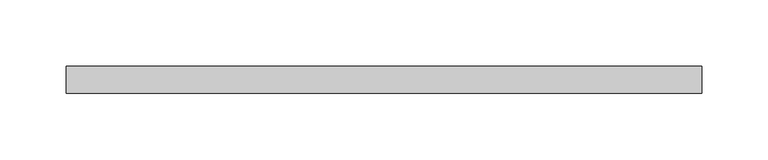
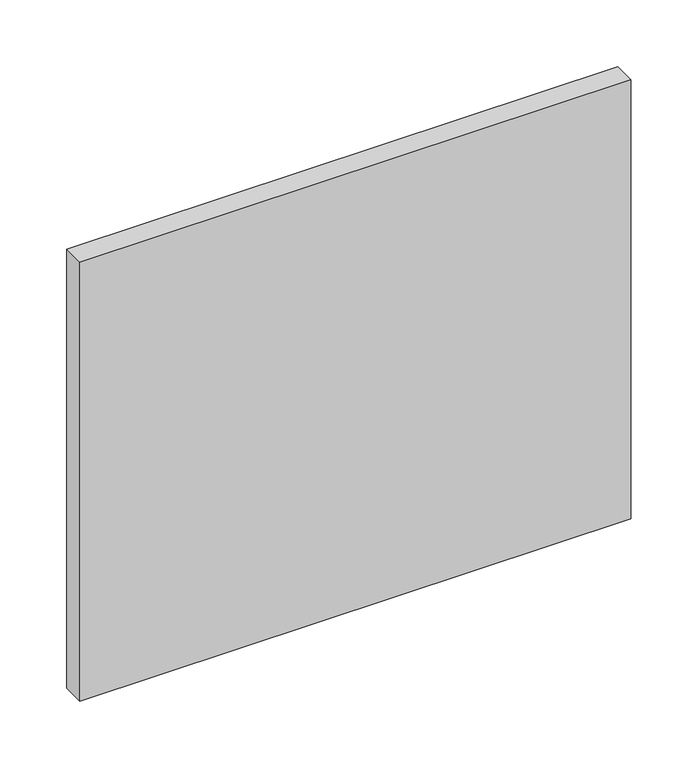
"""IFC4 building model written with IfcOpenShell, lengths in millimetres: plate geometry."""

import ifcopenshell
import ifcopenshell.guid

model = None  # the IFC model being written
_history = None  # IfcOwnerHistory: only IFC2X3 demands one
_inside = {}  # id of a spatial element -> (the spatial element, [elements in it])
_under = {}  # id of a project, library or spatial element -> (it, [spatial elements below it])
_declared = {}  # id of a project -> (the project, [libraries it declares])
_typed = {}  # id of a type object -> (the type object, [elements of that type])
_made_of = {}  # id of a material, layer set ... -> (it, [elements and type objects made of it])


def new_model(schema):
    """Start an empty IFC model of exactly this schema.

    Asked for "IFC4X3", IfcOpenShell would pick the latest addendum, in which some entities
    have other attributes; the version numbers below select the first issue.
    IFC2X3 requires an IfcOwnerHistory on every rooted entity: one is made here for all.
    """
    global model, _history
    if schema == "IFC4X3":
        model = ifcopenshell.file(schema_version=(4, 3, 0, 0))
    else:
        model = ifcopenshell.file(schema=schema)
    _inside.clear()
    _under.clear()
    _declared.clear()
    _typed.clear()
    _made_of.clear()
    _history = None
    if model.schema == "IFC2X3":
        org = make("IfcOrganization", Name="unknown")
        user = make(
            "IfcPersonAndOrganization",
            ThePerson=make("IfcPerson", FamilyName="unknown"),
            TheOrganization=org,
        )
        app = make(
            "IfcApplication",
            ApplicationDeveloper=org,
            Version="unknown",
            ApplicationFullName="unknown",
            ApplicationIdentifier="unknown",
        )
        _history = make(
            "IfcOwnerHistory",
            OwningUser=user,
            OwningApplication=app,
            ChangeAction="ADDED",
            CreationDate=0,
        )
    return model


def make(cls, **values):
    """One entity of the class cls with the attributes given. An attribute that is None is left unset."""
    return model.create_entity(
        cls, **{name: value for name, value in values.items() if value is not None}
    )


def rooted(cls, **values):
    """An entity with a GlobalId (a new one), such as an element, a storey or a relation."""
    return make(cls, GlobalId=ifcopenshell.guid.new(), OwnerHistory=_history, **values)


def si_unit(unit_type, name, prefix=None):
    """IfcSIUnit, for example si_unit("LENGTHUNIT", "METRE", prefix="MILLI")."""
    return make("IfcSIUnit", UnitType=unit_type, Prefix=prefix, Name=name)


def assignment(units):
    """IfcUnitAssignment: the units of a project."""
    return None if units is None else make("IfcUnitAssignment", Units=units)


def point(xyz):
    """IfcCartesianPoint."""
    return None if xyz is None else make("IfcCartesianPoint", Coordinates=xyz)


def direction(xyz):
    """IfcDirection."""
    return None if xyz is None else make("IfcDirection", DirectionRatios=xyz)


def frame(location, z_axis=None, x_axis=None):
    """IfcAxis2Placement3D, a coordinate frame: its origin and axes. An axis left out is left unset."""
    return make(
        "IfcAxis2Placement3D",
        Location=point(location),
        Axis=direction(z_axis),
        RefDirection=direction(x_axis),
    )


def origin():
    """The frame at (0, 0, 0) with its axes left unset."""
    return frame((0.0, 0.0, 0.0))


def origin_with_axes():
    """The frame at (0, 0, 0) with the z axis (0, 0, 1) and the x axis (1, 0, 0) written out."""
    return frame((0.0, 0.0, 0.0), z_axis=(0.0, 0.0, 1.0), x_axis=(1.0, 0.0, 0.0))


def place(relative_to, where):
    """IfcLocalPlacement: puts the frame where relative to a parent placement (None: the world)."""
    return make(
        "IfcLocalPlacement", PlacementRelTo=relative_to, RelativePlacement=where
    )


def context(
    kind, dimensions, precision=None, world=None, true_north=None, identifier=None
):
    """IfcGeometricRepresentationContext, for example the 3D "Model" context."""
    return make(
        "IfcGeometricRepresentationContext",
        ContextIdentifier=identifier,
        ContextType=kind,
        CoordinateSpaceDimension=dimensions,
        Precision=precision,
        WorldCoordinateSystem=world,
        TrueNorth=true_north,
    )


def project(units=None, contexts=None):
    """IfcProject with its units and contexts."""
    return rooted(
        "IfcProject",
        Name="project",
        RepresentationContexts=contexts,
        UnitsInContext=assignment(units),
    )


def spatial(cls, under=None, at=None, **own):
    """A site, building, storey or space (cls), placed at a placement, below another one or the project."""
    s = rooted(cls, ObjectPlacement=at, **own)
    if under is not None:
        _under.setdefault(under.id(), (under, []))[1].append(s)
    return s


def polyline(points):
    """IfcPolyline through the points."""
    return make("IfcPolyline", Points=[point(p) for p in points])


def outline(outer, holes=None, kind="AREA"):
    """IfcArbitraryClosedProfileDef: a profile drawn as a closed curve; with holes, ...WithVoids."""
    if holes is None:
        return make("IfcArbitraryClosedProfileDef", ProfileType=kind, OuterCurve=outer)
    return make(
        "IfcArbitraryProfileDefWithVoids",
        ProfileType=kind,
        OuterCurve=outer,
        InnerCurves=holes,
    )


def extrude(swept, where, along, depth):
    """IfcExtrudedAreaSolid: the profile swept, set in the frame where, extruded along a direction by depth."""
    return make(
        "IfcExtrudedAreaSolid",
        SweptArea=swept,
        Position=where,
        ExtrudedDirection=direction(along),
        Depth=depth,
    )


def shape(context_of_items, identifier, shape_type, items):
    """IfcShapeRepresentation: the items that make up one representation, for example the "Body"."""
    return make(
        "IfcShapeRepresentation",
        ContextOfItems=context_of_items,
        RepresentationIdentifier=identifier,
        RepresentationType=shape_type,
        Items=items,
    )


def source(mapping_origin, context_of_items, identifier, shape_type, items):
    """IfcRepresentationMap: a shape defined once, which mapped items show again and again."""
    return make(
        "IfcRepresentationMap",
        MappingOrigin=mapping_origin,
        MappedRepresentation=shape(context_of_items, identifier, shape_type, items),
    )


def transform(
    local_origin,
    x_axis=None,
    y_axis=None,
    z_axis=None,
    scale=None,
    scale2=None,
    scale3=None,
    uniform=True,
):
    """IfcCartesianTransformationOperator3D, or its non-uniform kind. x_axis, y_axis, z_axis: its Axis1, 2, 3."""
    if uniform:
        return make(
            "IfcCartesianTransformationOperator3D",
            Axis1=direction(x_axis),
            Axis2=direction(y_axis),
            LocalOrigin=point(local_origin),
            Scale=scale,
            Axis3=direction(z_axis),
        )
    return make(
        "IfcCartesianTransformationOperator3DnonUniform",
        Axis1=direction(x_axis),
        Axis2=direction(y_axis),
        LocalOrigin=point(local_origin),
        Scale=scale,
        Axis3=direction(z_axis),
        Scale2=scale2,
        Scale3=scale3,
    )


def mapped(mapping_source, mapping_target):
    """IfcMappedItem: shows the shape of a source again, moved by a transform."""
    return make(
        "IfcMappedItem", MappingSource=mapping_source, MappingTarget=mapping_target
    )


def made_of(thing, what):
    """Note that an element or type object is made of a material, layer set ...; save() writes the relation."""
    if what is not None:
        _made_of.setdefault(what.id(), (what, []))[1].append(thing)
    return thing


def element(
    cls,
    number,
    at=None,
    inside=None,
    cuts=None,
    type_object=None,
    material=None,
    context=None,
    identifier="Body",
    shape_type=None,
    held_by="IfcProductDefinitionShape",
    body=None,
    shapes=None,
    **own,
):
    """One element of the class cls, such as IfcWall. Its Tag is "e" and its number.

    at: its placement. inside: the storey or other place that contains it. cuts: it is an
    opening in that element (IfcRelVoidsElement). A single representation is given by context,
    identifier, shape_type and body (its items); several are given by shapes. held_by: the class
    of the entity that holds the representations. save() writes the other relations.
    """
    e = rooted(cls, Tag="e%d" % number, ObjectPlacement=at, **own)
    if body is not None:
        shapes = [shape(context, identifier, shape_type, body)]
    if shapes is not None:
        e.Representation = make(held_by, Representations=shapes)
    if inside is not None:
        _inside.setdefault(inside.id(), (inside, []))[1].append(e)
    if cuts is not None:
        rooted(
            "IfcRelVoidsElement", RelatingBuildingElement=cuts, RelatedOpeningElement=e
        )
    if type_object is not None:
        _typed.setdefault(type_object.id(), (type_object, []))[1].append(e)
    return made_of(e, material)


def aggregate(whole, parts):
    """IfcRelAggregates: a whole, such as a stair, and the parts it consists of."""
    return rooted("IfcRelAggregates", RelatingObject=whole, RelatedObjects=parts)


def save(model, path):
    """Write the relations noted so far, then the file.

    IfcRelAggregates (storeys below a building ...), IfcRelContainedInSpatialStructure (elements
    in a storey), IfcRelDefinesByType, IfcRelAssociatesMaterial and IfcRelDeclares: one each for
    every whole, place, type object, material and project.
    """
    for whole, parts in _under.values():
        aggregate(whole, parts)
    for where, things in _inside.values():
        rooted(
            "IfcRelContainedInSpatialStructure",
            RelatedElements=things,
            RelatingStructure=where,
        )
    for kind, things in _typed.values():
        rooted("IfcRelDefinesByType", RelatedObjects=things, RelatingType=kind)
    for what, things in _made_of.values():
        rooted("IfcRelAssociatesMaterial", RelatedObjects=things, RelatingMaterial=what)
    for by, libraries in _declared.values():
        rooted("IfcRelDeclares", RelatingContext=by, RelatedDefinitions=libraries)
    model.write(path)


def plate_f046cf4d(model_context):
    return source(origin(), model_context, "Body", "SweptSolid", [
        extrude(outline(polyline([(238.75, -90.0), (-238.75, -90.0), (-238.75, -70.0), (238.75, -70.0), (238.75, -90.0)])), origin_with_axes(), (0.0, 0.0, 1.0), 402.3076923),
    ])


if __name__ == "__main__":
    model = new_model("IFC4")
    model_context = context("Model", 3, world=origin())
    ifc_project = project(units=[si_unit("LENGTHUNIT", "METRE", prefix="MILLI")], contexts=[model_context])
    site = spatial("IfcSite", under=ifc_project)
    building = spatial("IfcBuilding", under=site)
    placement = place(None, origin())
    plate_shape = plate_f046cf4d(model_context)
    element("IfcPlate", 1, at=placement, inside=building, context=model_context, shape_type="MappedRepresentation", body=[
        mapped(plate_shape, transform((0.0, 0.0, 0.0), x_axis=(1.0, 0.0, 0.0), y_axis=(0.0, 1.0, 0.0), z_axis=(0.0, 0.0, 1.0))),
    ])
    save(model, "model.ifc")
